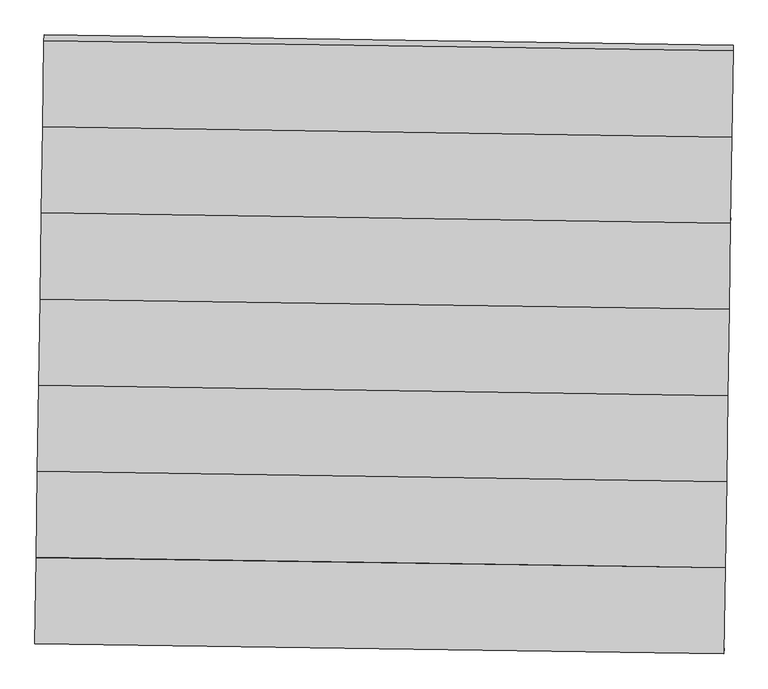
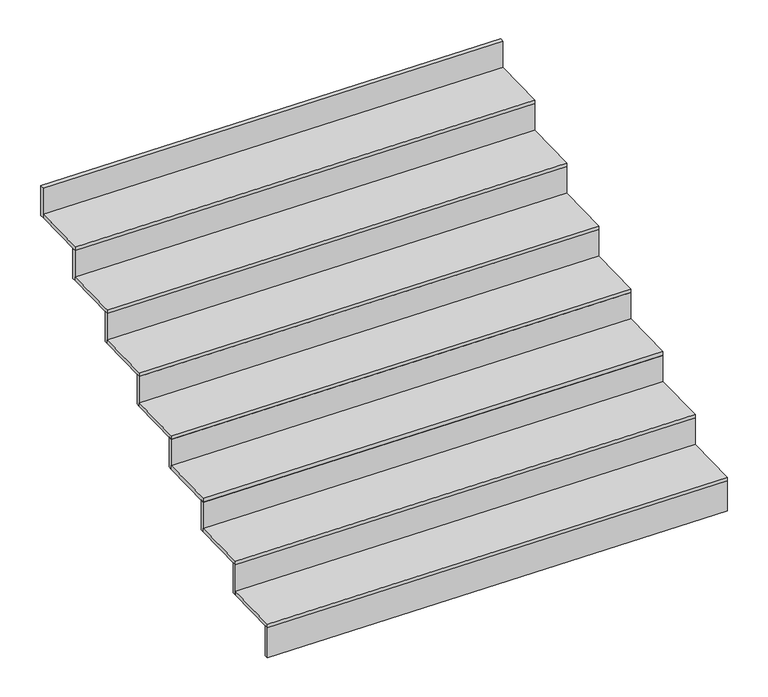
"""IFC4 building model written with IfcOpenShell, lengths in millimetres: stair flight geometry."""

from ifc_helpers import new_model, si_unit, frame, origin, place, context, project, spatial, polyline, outline, extrude, source, transform, mapped, element, save


def stair_flight_11256dc3(model_context):
    return source(origin(), model_context, "Body", "SweptSolid", [
        extrude(outline(polyline([(-135591.2987302, 83229.8767872), (-135591.5983264, 83209.8790313), (-137991.3290376, 83245.8305771), (-137991.0294414, 83265.828333), (-135591.2987302, 83229.8767872)])), frame((0.0, 0.0, 590.1666667), z_axis=(0.0, 0.0, 1.0), x_axis=(1.0, 0.0, 0.0)), (0.0, 0.0, 1.0), 166.6666667),
        extrude(outline(polyline([(-137986.8350944, 83545.796916), (-135587.1043832, 83509.8453702), (-135591.5983264, 83209.8790313), (-137991.3290376, 83245.8305771), (-137986.8350944, 83545.796916)])), frame((0.0, 0.0, 756.8333333), z_axis=(0.0, 0.0, 1.0), x_axis=(1.0, 0.0, 0.0)), (0.0, 0.0, 1.0), 20.0),
        extrude(outline(polyline([(-135586.804787, 83529.8431261), (-135587.1043832, 83509.8453702), (-137986.8350944, 83545.796916), (-137986.5354982, 83565.7946719), (-135586.804787, 83529.8431261)])), frame((0.0, 0.0, 756.8333333), z_axis=(0.0, 0.0, 1.0), x_axis=(1.0, 0.0, 0.0)), (0.0, 0.0, 1.0), 166.6666667),
        extrude(outline(polyline([(-137982.3411512, 83845.7632549), (-135582.61044, 83809.8117091), (-135587.1043832, 83509.8453702), (-137986.8350944, 83545.796916), (-137982.3411512, 83845.7632549)])), frame((0.0, 0.0, 923.5), z_axis=(0.0, 0.0, 1.0), x_axis=(1.0, 0.0, 0.0)), (0.0, 0.0, 1.0), 20.0),
        extrude(outline(polyline([(-135582.3108438, 83829.809465), (-135582.61044, 83809.8117091), (-137982.3411512, 83845.7632549), (-137982.041555, 83865.7610108), (-135582.3108438, 83829.809465)])), frame((0.0, 0.0, 923.5), z_axis=(0.0, 0.0, 1.0), x_axis=(1.0, 0.0, 0.0)), (0.0, 0.0, 1.0), 166.6666667),
        extrude(outline(polyline([(-137977.847208, 84145.7295938), (-135578.1164968, 84109.778048), (-135582.61044, 83809.8117091), (-137982.3411512, 83845.7632549), (-137977.847208, 84145.7295938)])), frame((0.0, 0.0, 1090.1666667), z_axis=(0.0, 0.0, 1.0), x_axis=(1.0, 0.0, 0.0)), (0.0, 0.0, 1.0), 20.0),
        extrude(outline(polyline([(-135577.8169006, 84129.7758039), (-135578.1164968, 84109.778048), (-137977.847208, 84145.7295938), (-137977.5476118, 84165.7273497), (-135577.8169006, 84129.7758039)])), frame((0.0, 0.0, 1090.1666667), z_axis=(0.0, 0.0, 1.0), x_axis=(1.0, 0.0, 0.0)), (0.0, 0.0, 1.0), 166.6666667),
        extrude(outline(polyline([(-137973.3532648, 84445.6959327), (-135573.6225535, 84409.7443869), (-135578.1164968, 84109.778048), (-137977.847208, 84145.7295938), (-137973.3532648, 84445.6959327)])), frame((0.0, 0.0, 1256.8333333), z_axis=(0.0, 0.0, 1.0), x_axis=(1.0, 0.0, 0.0)), (0.0, 0.0, 1.0), 20.0),
        extrude(outline(polyline([(-135573.3229573, 84429.7421428), (-135573.6225535, 84409.7443869), (-137973.3532648, 84445.6959327), (-137973.0536685, 84465.6936886), (-135573.3229573, 84429.7421428)])), frame((0.0, 0.0, 1256.8333333), z_axis=(0.0, 0.0, 1.0), x_axis=(1.0, 0.0, 0.0)), (0.0, 0.0, 1.0), 166.6666667),
        extrude(outline(polyline([(-137968.8593215, 84745.6622716), (-135569.1286103, 84709.7107258), (-135573.6225535, 84409.7443869), (-137973.3532648, 84445.6959327), (-137968.8593215, 84745.6622716)])), frame((0.0, 0.0, 1423.5), z_axis=(0.0, 0.0, 1.0), x_axis=(1.0, 0.0, 0.0)), (0.0, 0.0, 1.0), 20.0),
        extrude(outline(polyline([(-135568.8290141, 84729.7084817), (-135569.1286103, 84709.7107258), (-137968.8593215, 84745.6622716), (-137968.5597253, 84765.6600275), (-135568.8290141, 84729.7084817)])), frame((0.0, 0.0, 1423.5), z_axis=(0.0, 0.0, 1.0), x_axis=(1.0, 0.0, 0.0)), (0.0, 0.0, 1.0), 166.6666667),
        extrude(outline(polyline([(-137964.3653783, 85045.6286105), (-135564.6346671, 85009.6770647), (-135569.1286103, 84709.7107258), (-137968.8593215, 84745.6622716), (-137964.3653783, 85045.6286105)])), frame((0.0, 0.0, 1590.1666667), z_axis=(0.0, 0.0, 1.0), x_axis=(1.0, 0.0, 0.0)), (0.0, 0.0, 1.0), 20.0),
        extrude(outline(polyline([(-135564.3350709, 85029.6748206), (-135564.6346671, 85009.6770647), (-137964.3653783, 85045.6286105), (-137964.0657821, 85065.6263664), (-135564.3350709, 85029.6748206)])), frame((0.0, 0.0, 1590.1666667), z_axis=(0.0, 0.0, 1.0), x_axis=(1.0, 0.0, 0.0)), (0.0, 0.0, 1.0), 166.6666667),
        extrude(outline(polyline([(-135559.8411277, 85329.6411595), (-135560.1407239, 85309.6434036), (-137959.8714351, 85345.5949494), (-137959.5718389, 85365.5927053), (-135559.8411277, 85329.6411595)])), frame((0.0, 0.0, 1756.8333333), z_axis=(0.0, 0.0, 1.0), x_axis=(1.0, 0.0, 0.0)), (0.0, 0.0, 1.0), 166.6666667),
        extrude(outline(polyline([(-137959.8714351, 85345.5949494), (-135560.1407239, 85309.6434036), (-135564.6346671, 85009.6770647), (-137964.3653783, 85045.6286105), (-137959.8714351, 85345.5949494)])), frame((0.0, 0.0, 1756.8333333), z_axis=(0.0, 0.0, 1.0), x_axis=(1.0, 0.0, 0.0)), (0.0, 0.0, 1.0), 20.0),
    ])


if __name__ == "__main__":
    model = new_model("IFC4")
    model_context = context("Model", 3, world=origin())
    ifc_project = project(units=[si_unit("LENGTHUNIT", "METRE", prefix="MILLI")], contexts=[model_context])
    site = spatial("IfcSite", under=ifc_project)
    building = spatial("IfcBuilding", under=site)
    placement = place(None, origin())
    stair_flight_shape = stair_flight_11256dc3(model_context)
    element("IfcStairFlight", 1, at=placement, inside=building, context=model_context, shape_type="MappedRepresentation", body=[
        mapped(stair_flight_shape, transform((0.0, 0.0, 0.0), x_axis=(1.0, 0.0, 0.0), y_axis=(0.0, 1.0, 0.0), z_axis=(0.0, 0.0, 1.0))),
    ])
    save(model, "model.ifc")
